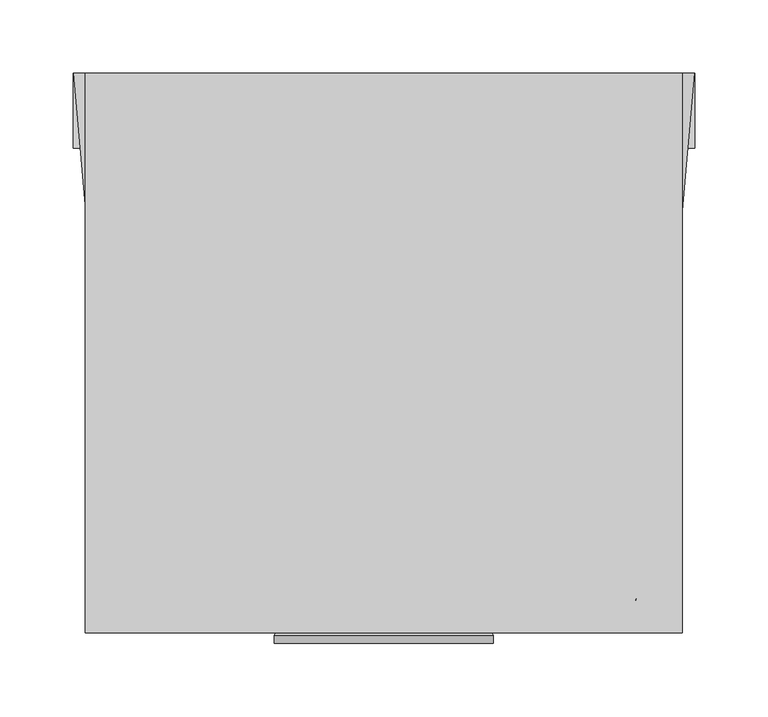
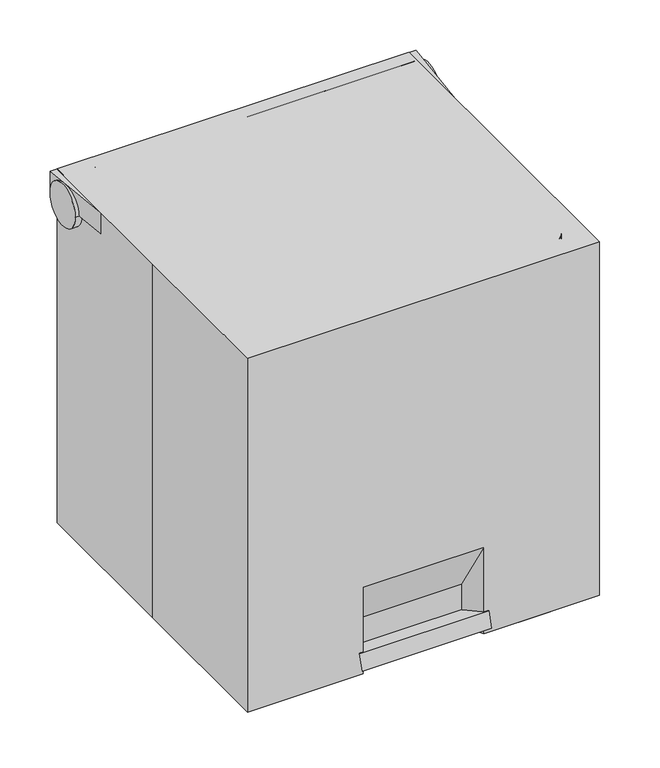
"""IFC4 building model written with IfcOpenShell, lengths in millimetres: proxy geometry."""

from ifc_helpers import new_model, si_unit, point, frame, frame_2d, origin, place, context, project, spatial, polyline, circle_curve, ellipse_curve, trimmed, segment, composite_curve, outline, extrude, source, transform, mapped, element, save
from ifc_brep_helpers import plane_surface, cylinder_surface, revolved_surface, spline_surface, advanced_brep


def specialty_equipment_1b791226(model_context):
    return source(origin(), model_context, "Body", "SolidModel", [
        advanced_brep(
        [(-203.2, 0.0, 431.8), (-203.2, -190.5, 431.8), (203.2, -190.5, 431.8), (203.2, 165.1, 431.8), (203.2, 190.5, 431.8), (-203.2, 190.5, 431.8), (-203.2, 165.1, 431.8), (-203.2, 190.5, 0.0), (203.2, 190.5, 0.0), (203.2, -190.5, 0.0), (69.85, -190.5, 0.0), (57.15, -167.3137559, 0.0), (-57.15, -167.3137559, 0.0), (-69.85, -190.5, 0.0), (-203.2, -190.5, 0.0), (-203.2, 0.0, 0.0), (-203.2, 190.5, 406.4), (-203.2, 139.7, 406.4), (-69.85, -190.5, 105.5317808), (69.85, -190.5, 105.5317808), (203.2, 190.5, 406.4), (203.2, 139.7, 406.4), (57.15, -167.3137559, 50.8), (-57.15, -167.3137559, 50.8)],
        [
            (0, 1),
            (1, 2),
            (2, 3),
            (3, 4),
            (4, 5),
            (5, 6),
            (6, 0),
            (7, 8),
            (8, 9),
            (9, 10),
            (10, 11),
            (11, 12),
            (12, 13),
            (13, 14),
            (14, 15),
            (15, 7),
            (5, 16),
            (16, 6, circle_curve(frame((-203.2, 165.1, 406.4), z_axis=(1.0, 0.0, 0.0), x_axis=(0.0, 1.0, 0.0)), 25.4)),
            (15, 0),
            (6, 17, circle_curve(frame((-203.2, 165.1, 406.4), z_axis=(1.0, 0.0, 0.0), x_axis=(0.0, 1.0, 0.0)), 25.4)),
            (17, 16, circle_curve(frame((-203.2, 165.1, 406.4), z_axis=(1.0, 0.0, 0.0), x_axis=(0.0, 1.0, 0.0)), 25.4)),
            (16, 7),
            (14, 1),
            (13, 18),
            (18, 19),
            (19, 10),
            (9, 2),
            (3, 20, circle_curve(frame((203.2, 165.1, 406.4), z_axis=(-1.0, 0.0, 0.0), x_axis=(0.0, 1.0, 0.0)), 25.4)),
            (20, 4),
            (8, 20),
            (20, 21, circle_curve(frame((203.2, 165.1, 406.4), z_axis=(-1.0, 0.0, 0.0), x_axis=(0.0, 1.0, 0.0)), 25.4)),
            (21, 3, circle_curve(frame((203.2, 165.1, 406.4), z_axis=(-1.0, 0.0, 0.0), x_axis=(0.0, 1.0, 0.0)), 25.4)),
            (22, 23),
            (23, 12),
            (11, 22),
            (22, 19),
            (18, 23),
            (20, 16),
            (17, 21),
        ],
        [
            plane_surface(frame((-203.2, 0.0, 431.8), z_axis=(0.0, 0.0, 1.0), x_axis=(0.0, -1.0, 0.0))),
            plane_surface(frame((-203.2, 0.0, 0.0), z_axis=(0.0, 0.0, -1.0), x_axis=(0.0, 1.0, 0.0))),
            plane_surface(frame((-203.2, 190.5, 431.8), z_axis=(-1.0, 0.0, 0.0), x_axis=(0.0, 0.0, -1.0))),
            plane_surface(frame((-203.2, 0.0, 431.8), z_axis=(-1.0, 0.0, 0.0), x_axis=(0.0, 0.0, -1.0))),
            plane_surface(frame((-203.2, -190.5, 431.8), z_axis=(0.0, -1.0, 0.0), x_axis=(0.0, 0.0, -1.0))),
            plane_surface(frame((203.2, -190.5, 431.8), z_axis=(1.0, 0.0, 0.0), x_axis=(0.0, 0.0, -1.0))),
            plane_surface(frame((203.2, 190.5, 431.8), z_axis=(0.0, 1.0, 0.0), x_axis=(0.0, 0.0, -1.0))),
            plane_surface(frame((0.0, -167.3137559, 25.4), z_axis=(0.0, -1.0, 0.0), x_axis=(-1.0, 0.0, 0.0))),
            plane_surface(frame((0.0, -190.5, 105.5317808), z_axis=(0.0, -0.920783074067558, -0.39007503189860543), x_axis=(1.0, 0.0, 0.0))),
            plane_surface(frame((-69.85, -190.5, 52.7658904), z_axis=(0.8770521055181142, -0.48039525830949104, 0.0), x_axis=(0.0, 0.0, 1.0))),
            plane_surface(frame((69.85, -190.5, 52.7658904), z_axis=(-0.8770521055181134, -0.48039525830949253, 0.0), x_axis=(0.0, 0.0, -1.0))),
            revolved_surface(polyline([(203.2, 190.5, 406.4), (-203.2, 190.5, 406.4)]), (-203.2, 165.1, 406.4), (1.0, 0.0, 0.0)),
        ],
        [
            (0, [[1, 2, 3, 4, 5, 6, 7]]),
            (1, [[8, 9, 10, 11, 12, 13, 14, 15, 16]]),
            (2, [[-6, 17, 18]]),
            (2, [[-16, 19, -7, 20, 21, 22]]),
            (3, [[-1, -19, -15, 23]]),
            (4, [[-2, -23, -14, 24, 25, 26, -10, 27]]),
            (5, [[-4, 28, 29]]),
            (5, [[-9, 30, 31, 32, -3, -27]]),
            (6, [[-5, -29, -30, -8, -22, -17]]),
            (7, [[33, 34, -12, 35]]),
            (8, [[-33, 36, -25, 37]]),
            (9, [[-34, -37, -24, -13]]),
            (10, [[-35, -11, -26, -36]]),
            (11, [[38, -21, 39, -31]]),
            (11, [[-38, -28, -32, -39, -20, -18]]),
        ],
    ),
        extrude(outline(polyline([(4.6906993, 0.0), (-12.7, -31.75), (-127.0, -31.75), (-144.3906993, 0.0), (4.6906993, 0.0)])), frame((-69.85, -197.7247404, 9.1232954), z_axis=(0.0, 0.2873478855663447, 0.9578262852211517), x_axis=(-1.0, 0.0, 0.0)), (0.0, 0.0, 1.0), 19.05),
        advanced_brep(
        [(-171.8953527, -167.3137559, 406.4), (171.8953527, -167.3137559, 406.4), (198.7555759, 139.7, 406.4), (-198.7555759, 139.7, 406.4), (203.2, 190.5, 0.0), (171.8953527, -167.3137559, 0.0), (146.5920074, -190.5, 0.0), (69.85, -190.5, 0.0), (57.15, -167.3137559, 0.0), (-57.15, -167.3137559, 0.0), (-69.85, -190.5, 0.0), (-146.5920074, -190.5, 0.0), (-171.8953527, -167.3137559, 0.0), (-203.2, 190.5, 0.0), (-203.2, 190.5, 406.4), (203.2, 190.5, 406.4), (-66.9435562, -185.1937389, 93.0062024), (66.9435562, -185.1937389, 93.0062024), (57.15, -167.3137559, 50.8), (-57.15, -167.3137559, 50.8)],
        [
            (0, 1),
            (1, 2),
            (2, 3),
            (3, 0),
            (4, 5),
            (5, 6, circle_curve(frame((146.5920074, -165.1, 0.0), z_axis=(0.0, 0.0, -1.0), x_axis=(1.0, 0.0, 0.0)), 25.4)),
            (6, 7),
            (7, 8),
            (8, 9),
            (9, 10),
            (10, 11),
            (11, 12, circle_curve(frame((-146.5920074, -165.1, 0.0), z_axis=(0.0, 0.0, -1.0), x_axis=(1.0, 0.0, 0.0)), 25.4)),
            (12, 13),
            (13, 4),
            (13, 14),
            (14, 15),
            (15, 4),
            (12, 0),
            (3, 14, ellipse_curve(frame((-200.9777879, 165.1, 406.4), z_axis=(0.9961946980917457, 0.08715574274765671, 0.0), x_axis=(0.08715574274765668, -0.9961946980917457, 0.0)), 25.4970239, 25.4)),
            (11, 0),
            (10, 16),
            (16, 17),
            (17, 7),
            (6, 1),
            (5, 1),
            (15, 2, ellipse_curve(frame((200.9777879, 165.1, 406.4), z_axis=(-0.9961946980917454, 0.08715574274765969, 0.0), x_axis=(0.0871557427476588, 0.9961946980917455, 0.0)), 25.4970239, 25.4)),
            (18, 19),
            (19, 9),
            (8, 18),
            (18, 17),
            (16, 19),
        ],
        [
            plane_surface(frame((0.0, 11.5931221, 406.4), z_axis=(0.0, 0.0, 1.0), x_axis=(0.08715574274765671, -0.9961946980917457, 0.0))),
            plane_surface(frame((0.0, -55.771252, 0.0), z_axis=(0.0, 0.0, -1.0), x_axis=(0.08715574274765671, -0.9961946980917457, 0.0))),
            plane_surface(frame((0.0, 190.5, 0.0), z_axis=(0.0, 1.0, 0.0), x_axis=(-1.0, 0.0, 0.0))),
            plane_surface(frame((-187.5476764, 11.5931221, 0.0), z_axis=(-0.9961946980917457, -0.08715574274765671, 0.0), x_axis=(0.08715574274765671, -0.9961946980917457, 0.0))),
            spline_surface(2, 1, [[(-171.8953527, -167.3137559, 0.0), (-171.8953527, -167.3137559, 406.4)], [(-169.86681913406716, -190.49999996929208, 0.0), (-171.8953527, -167.3137559, 406.4)], [(-146.5920074, -190.5, 0.0), (-171.8953527, -167.3137559, 406.4)]], [3, 3], [2, 2], [0.0, 1.0], [0.0, 1.0], weights=[[1.0, 1.0], [0.7372773377124887, 0.7372773377124887], [1.0, 1.0]]),
            plane_surface(frame((0.0, -190.5, 0.0), z_axis=(0.0, -0.9983764533733115, 0.05696013825236224), x_axis=(1.0, 0.0, 0.0))),
            spline_surface(2, 1, [[(146.5920074, -190.5, 0.0), (171.8953527, -167.3137559, 406.4)], [(169.86681918616762, -190.5000000261497, 0.0), (171.8953527, -167.3137559, 406.4)], [(171.8953527, -167.3137559, 0.0), (171.8953527, -167.3137559, 406.4)]], [3, 3], [2, 2], [0.0, 1.0], [0.0, 1.0], weights=[[1.0, 1.0], [0.7372773368872948, 0.7372773368872948], [1.0, 1.0]]),
            plane_surface(frame((187.5476764, 11.5931221, 0.0), z_axis=(0.9961946980917454, -0.08715574274765969, 0.0), x_axis=(0.08715574274765969, 0.9961946980917454, 0.0))),
            plane_surface(frame((0.0, -167.3137559, 25.4), z_axis=(0.0, -1.0, 0.0), x_axis=(-1.0, 0.0, 0.0))),
            plane_surface(frame((0.0, -190.5, 105.5317808), z_axis=(0.0, -0.920783074067558, -0.39007503189860543), x_axis=(1.0, 0.0, 0.0))),
            plane_surface(frame((-69.85, -190.5, 52.7658904), z_axis=(0.8770521055181142, -0.48039525830949104, 0.0), x_axis=(0.0, 0.0, 1.0))),
            plane_surface(frame((69.85, -190.5, 52.7658904), z_axis=(-0.8770521055181134, -0.48039525830949253, 0.0), x_axis=(0.0, 0.0, -1.0))),
            revolved_surface(polyline([(203.2, 190.5, 406.4), (-203.2, 190.5, 406.4)]), (-203.2, 165.1, 406.4), (1.0, 0.0, 0.0)),
        ],
        [
            (0, [[1, 2, 3, 4]]),
            (1, [[5, 6, 7, 8, 9, 10, 11, 12, 13, 14]]),
            (2, [[-14, 15, 16, 17]]),
            (3, [[-13, 18, -4, 19, -15]]),
            (4, [[-12, 20, -18]]),
            (5, [[-1, -20, -11, 21, 22, 23, -7, 24]]),
            (6, [[-6, 25, -24]]),
            (7, [[-5, -17, 26, -2, -25]]),
            (8, [[27, 28, -9, 29]]),
            (9, [[-27, 30, -22, 31]]),
            (10, [[-28, -31, -21, -10]]),
            (11, [[-29, -8, -23, -30]]),
            (12, [[-3, -26, -16, -19]]),
        ],
    ),
        advanced_brep(
        [(-181.4886497, -148.2637559, 431.8), (-156.1853044, -171.45, 431.8), (156.1853044, -171.45, 431.8), (181.4886497, -148.2637559, 431.8), (211.1266379, 190.5, 431.8), (-211.1266379, 190.5, 431.8), (-181.4886497, -148.2637559, 406.4), (-211.1266379, 190.5, 406.4), (-203.2, 190.5, 406.4), (-203.2, 139.7, 406.4), (203.2, 139.7, 406.4), (203.2, 190.5, 406.4), (211.1266379, 190.5, 406.4), (181.4886497, -148.2637559, 406.4), (156.1853044, -171.45, 406.4), (-156.1853044, -171.45, 406.4), (203.2, 165.1, 431.8), (-203.2, 165.1, 431.8)],
        [
            (0, 1, circle_curve(frame((-156.1853044, -146.05, 431.8), z_axis=(0.0, 0.0, 1.0), x_axis=(1.0, 0.0, 0.0)), 25.4)),
            (1, 2),
            (2, 3, circle_curve(frame((156.1853044, -146.05, 431.8), z_axis=(0.0, 0.0, 1.0), x_axis=(1.0, 0.0, 0.0)), 25.4)),
            (3, 4),
            (4, 5),
            (5, 0),
            (6, 7),
            (7, 8),
            (8, 9),
            (9, 10),
            (10, 11),
            (11, 12),
            (12, 13),
            (13, 14, circle_curve(frame((156.1853044, -146.05, 406.4), z_axis=(0.0, 0.0, -1.0), x_axis=(1.0, 0.0, 0.0)), 25.4)),
            (14, 15),
            (15, 6, circle_curve(frame((-156.1853044, -146.05, 406.4), z_axis=(0.0, 0.0, -1.0), x_axis=(1.0, 0.0, 0.0)), 25.4)),
            (0, 6),
            (15, 1),
            (14, 2),
            (13, 3),
            (12, 4),
            (11, 8),
            (7, 5),
            (10, 16, circle_curve(frame((203.2, 165.1, 406.4), z_axis=(-1.0, 0.0, 0.0), x_axis=(0.0, 1.0, 0.0)), 25.4)),
            (16, 11, circle_curve(frame((203.2, 165.1, 406.4), z_axis=(-1.0, 0.0, 0.0), x_axis=(0.0, 1.0, 0.0)), 25.4)),
            (8, 17, circle_curve(frame((-203.2, 165.1, 406.4), z_axis=(1.0, 0.0, 0.0), x_axis=(0.0, 1.0, 0.0)), 25.4)),
            (17, 9, circle_curve(frame((-203.2, 165.1, 406.4), z_axis=(1.0, 0.0, 0.0), x_axis=(0.0, 1.0, 0.0)), 25.4)),
        ],
        [
            plane_surface(frame((-130.7853044, -146.05, 431.8), z_axis=(0.0, 0.0, 1.0), x_axis=(0.0, 1.0, 0.0))),
            plane_surface(frame((-130.7853044, -146.05, 406.4), z_axis=(0.0, 0.0, -1.0), x_axis=(0.0, -1.0, 0.0))),
            cylinder_surface(frame((-156.1853044, -146.05, 406.4), z_axis=(0.0, 0.0, 1.0), x_axis=(1.0, 0.0, 0.0)), 25.4),
            plane_surface(frame((-156.1853044, -171.45, 431.8), z_axis=(0.0, -1.0, 0.0), x_axis=(0.0, 0.0, -1.0))),
            cylinder_surface(frame((156.1853044, -146.05, 406.4), z_axis=(0.0, 0.0, 1.0), x_axis=(1.0, 0.0, 0.0)), 25.4),
            plane_surface(frame((181.4886497, -148.2637559, 431.8), z_axis=(0.9961946980917455, -0.08715574274765969, 0.0), x_axis=(0.0, 0.0, -1.0))),
            plane_surface(frame((211.1266379, 190.5, 431.8), z_axis=(0.0, 1.0, 0.0), x_axis=(0.0, 0.0, -1.0))),
            plane_surface(frame((-211.1266379, 190.5, 431.8), z_axis=(-0.9961946980917458, -0.08715574274765654, 0.0), x_axis=(0.0, 0.0, -1.0))),
            plane_surface(frame((203.2, 190.5, 406.4), z_axis=(-1.0, 0.0, 0.0), x_axis=(0.0, 0.0, 1.0))),
            plane_surface(frame((-203.2, 190.5, 406.4), z_axis=(1.0, 0.0, 0.0), x_axis=(0.0, 0.0, -1.0))),
            revolved_surface(polyline([(203.2, 190.5, 406.4), (-203.2, 190.5, 406.4)]), (-203.2, 165.1, 406.4), (1.0, 0.0, 0.0)),
        ],
        [
            (0, [[1, 2, 3, 4, 5, 6]]),
            (1, [[7, 8, 9, 10, 11, 12, 13, 14, 15, 16]]),
            (2, [[-1, 17, -16, 18]]),
            (3, [[-2, -18, -15, 19]]),
            (4, [[-3, -19, -14, 20]]),
            (5, [[-4, -20, -13, 21]]),
            (6, [[-5, -21, -12, 22, -8, 23]]),
            (7, [[-6, -23, -7, -17]]),
            (8, [[24, 25, -11]]),
            (9, [[26, 27, -9]]),
            (10, [[-24, -10, -27, -26, -22, -25]]),
        ],
    ),
        extrude(outline(composite_curve([segment(trimmed(circle_curve(frame_2d((165.1, 406.4)), 25.4), [point((190.5, 406.4))], [point((139.7, 406.4))], False, "CARTESIAN"), True, "CONTINUOUS"), segment(trimmed(circle_curve(frame_2d((165.1, 406.4)), 25.4), [point((139.7, 406.4))], [point((190.5, 406.4))], False, "CARTESIAN"), True, "CONTINUOUS")], self_intersect=False)), frame((203.2, 0.0, 0.0), z_axis=(1.0, 0.0, 0.0), x_axis=(0.0, 1.0, 0.0)), (0.0, 0.0, 1.0), 8.2243705),
        extrude(outline(composite_curve([segment(trimmed(circle_curve(frame_2d((165.1, 406.4)), 25.4), [point((139.7, 406.4))], [point((190.5, 406.4))], False, "CARTESIAN"), True, "CONTINUOUS"), segment(trimmed(circle_curve(frame_2d((165.1, 406.4)), 25.4), [point((190.5, 406.4))], [point((139.7, 406.4))], False, "CARTESIAN"), True, "CONTINUOUS")], self_intersect=False)), frame((-211.3962544, 0.0, 0.0), z_axis=(1.0, 0.0, 0.0), x_axis=(0.0, 1.0, 0.0)), (0.0, 0.0, 1.0), 8.1962544),
    ])


if __name__ == "__main__":
    model = new_model("IFC4")
    model_context = context("Model", 3, world=origin())
    ifc_project = project(units=[si_unit("LENGTHUNIT", "METRE", prefix="MILLI")], contexts=[model_context])
    site = spatial("IfcSite", under=ifc_project)
    building = spatial("IfcBuilding", under=site)
    placement = place(None, origin())
    specialty_equipment_shape = specialty_equipment_1b791226(model_context)
    element("IfcBuildingElementProxy", 1, Name="Specialty Equipment", at=placement, inside=building, context=model_context, shape_type="MappedRepresentation", body=[
        mapped(specialty_equipment_shape, transform((0.0, 0.0, 0.0), x_axis=(1.0, 0.0, 0.0), y_axis=(0.0, 1.0, 0.0), z_axis=(0.0, 0.0, 1.0))),
    ])
    save(model, "model.ifc")
